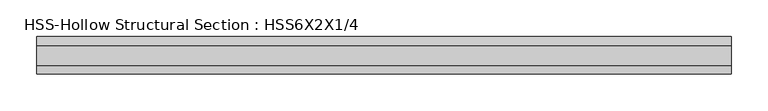
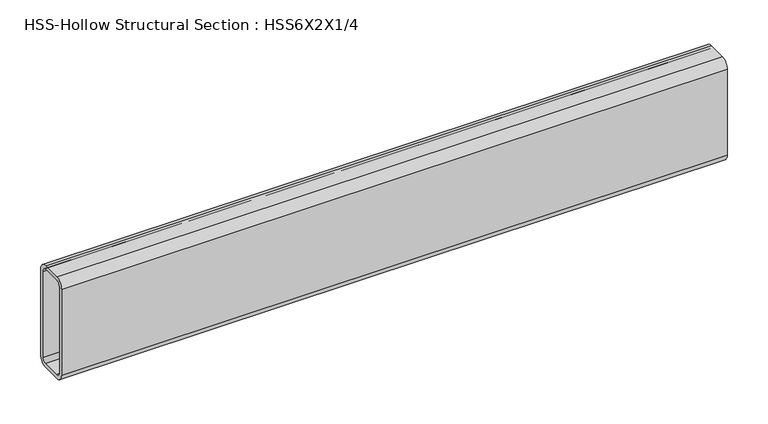
"""IFC4 building model written with IfcOpenShell, lengths in millimetres: beam geometry, HSS-Hollow Structural Section : HSS6X2X1/4."""

from ifc_helpers import new_model, si_unit, point, frame, frame_2d, origin, place, context, project, spatial, polyline, circle_curve, trimmed, segment, composite_curve, outline, extrude, source, transform, mapped, element, save


def hss_hollow_structural_section_hss6x2x1_4_4e87c3e3(model_context):
    return source(origin(), model_context, "Body", "SweptSolid", [
        extrude(outline(composite_curve([segment(polyline([(25.4, 64.3636), (25.4, -64.3636)]), True, "CONTINUOUS"), segment(trimmed(circle_curve(frame_2d((13.5636, -64.3636)), 11.8364), [point((25.4, -64.3636))], [point((13.5636, -76.2))], False, "CARTESIAN"), True, "CONTINUOUS"), segment(polyline([(13.5636, -76.2), (-13.5636, -76.2)]), True, "CONTINUOUS"), segment(trimmed(circle_curve(frame_2d((-13.5636, -64.3636)), 11.8364), [point((-13.5636, -76.2))], [point((-25.4, -64.3636))], False, "CARTESIAN"), True, "CONTINUOUS"), segment(polyline([(-25.4, -64.3636), (-25.4, 64.3636)]), True, "CONTINUOUS"), segment(trimmed(circle_curve(frame_2d((-13.5636, 64.3636)), 11.8364), [point((-25.4, 64.3636))], [point((-13.5636, 76.2))], False, "CARTESIAN"), True, "CONTINUOUS"), segment(polyline([(-13.5636, 76.2), (13.5636, 76.2)]), True, "CONTINUOUS"), segment(trimmed(circle_curve(frame_2d((13.5636, 64.3636)), 11.8364), [point((13.5636, 76.2))], [point((25.4, 64.3636))], False, "CARTESIAN"), True, "CONTINUOUS")], self_intersect=False), holes=[composite_curve([segment(trimmed(circle_curve(frame_2d((-13.5636, 64.3636)), 5.9182), [point((-13.5636, 70.2818))], [point((-19.4818, 64.3636))], True, "CARTESIAN"), True, "CONTINUOUS"), segment(polyline([(-19.4818, 64.3636), (-19.4818, -64.3636)]), True, "CONTINUOUS"), segment(trimmed(circle_curve(frame_2d((-13.5636, -64.3636)), 5.9182), [point((-19.4818, -64.3636))], [point((-13.5636, -70.2818))], True, "CARTESIAN"), True, "CONTINUOUS"), segment(polyline([(-13.5636, -70.2818), (13.5636, -70.2818)]), True, "CONTINUOUS"), segment(trimmed(circle_curve(frame_2d((13.5636, -64.3636)), 5.9182), [point((13.5636, -70.2818))], [point((19.4818, -64.3636))], True, "CARTESIAN"), True, "CONTINUOUS"), segment(polyline([(19.4818, -64.3636), (19.4818, 64.3636)]), True, "CONTINUOUS"), segment(trimmed(circle_curve(frame_2d((13.5636, 64.3636)), 5.9182), [point((19.4818, 64.3636))], [point((13.5636, 70.2818))], True, "CARTESIAN"), True, "CONTINUOUS"), segment(polyline([(13.5636, 70.2818), (-13.5636, 70.2818)]), True, "CONTINUOUS")], self_intersect=False)]), frame((-471.1325047, 0.0, 0.0), z_axis=(1.0, 0.0, 0.0), x_axis=(0.0, 1.0, 0.0)), (0.0, 0.0, 1.0), 941.9885047),
    ])


if __name__ == "__main__":
    model = new_model("IFC4")
    model_context = context("Model", 3, world=origin())
    ifc_project = project(units=[si_unit("LENGTHUNIT", "METRE", prefix="MILLI")], contexts=[model_context])
    site = spatial("IfcSite", under=ifc_project)
    building = spatial("IfcBuilding", under=site)
    placement = place(None, origin())
    hss_hollow_structural_section_hss6x2x1_4_shape = hss_hollow_structural_section_hss6x2x1_4_4e87c3e3(model_context)
    element("IfcBeam", 1, ObjectType="HSS-Hollow Structural Section : HSS6X2X1/4", at=placement, inside=building, context=model_context, shape_type="MappedRepresentation", body=[
        mapped(hss_hollow_structural_section_hss6x2x1_4_shape, transform((0.0, 0.0, 0.0), x_axis=(1.0, 0.0, 0.0), y_axis=(0.0, 1.0, 0.0), z_axis=(0.0, 0.0, 1.0))),
    ])
    save(model, "model.ifc")
